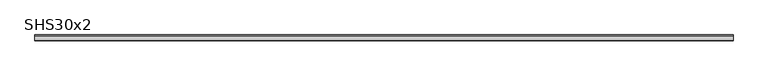
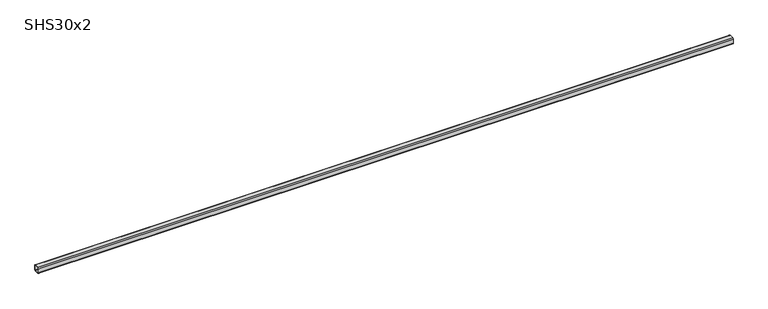
"""IFC4 building model written with IfcOpenShell, lengths in millimetres: beam geometry, SHS30x2."""

from ifc_helpers import new_model, si_unit, point, frame, frame_2d, origin, place, context, project, spatial, polyline, circle_curve, trimmed, segment, composite_curve, outline, extrude, source, transform, mapped, element, save


def shs30x2_28dc4a52(model_context):
    return source(origin(), model_context, "Body", "SweptSolid", [
        extrude(outline(composite_curve([segment(polyline([(15.0, 11.0), (15.0, -11.0)]), True, "CONTINUOUS"), segment(trimmed(circle_curve(frame_2d((11.0, -11.0)), 4.0), [point((15.0, -11.0))], [point((11.0, -15.0))], False, "CARTESIAN"), True, "CONTINUOUS"), segment(polyline([(11.0, -15.0), (-11.0, -15.0)]), True, "CONTINUOUS"), segment(trimmed(circle_curve(frame_2d((-11.0, -11.0)), 4.0), [point((-11.0, -15.0))], [point((-15.0, -11.0))], False, "CARTESIAN"), True, "CONTINUOUS"), segment(polyline([(-15.0, -11.0), (-15.0, 11.0)]), True, "CONTINUOUS"), segment(trimmed(circle_curve(frame_2d((-11.0, 11.0)), 4.0), [point((-15.0, 11.0))], [point((-11.0, 15.0))], False, "CARTESIAN"), True, "CONTINUOUS"), segment(polyline([(-11.0, 15.0), (11.0, 15.0)]), True, "CONTINUOUS"), segment(trimmed(circle_curve(frame_2d((11.0, 11.0)), 4.0), [point((11.0, 15.0))], [point((15.0, 11.0))], False, "CARTESIAN"), True, "CONTINUOUS")], self_intersect=False), holes=[composite_curve([segment(trimmed(circle_curve(frame_2d((-11.0, 11.0)), 2.0), [point((-11.0, 13.0))], [point((-13.0, 11.0))], True, "CARTESIAN"), True, "CONTINUOUS"), segment(polyline([(-13.0, 11.0), (-13.0, -11.0)]), True, "CONTINUOUS"), segment(trimmed(circle_curve(frame_2d((-11.0, -11.0)), 2.0), [point((-13.0, -11.0))], [point((-11.0, -13.0))], True, "CARTESIAN"), True, "CONTINUOUS"), segment(polyline([(-11.0, -13.0), (11.0, -13.0)]), True, "CONTINUOUS"), segment(trimmed(circle_curve(frame_2d((11.0, -11.0)), 2.0), [point((11.0, -13.0))], [point((13.0, -11.0))], True, "CARTESIAN"), True, "CONTINUOUS"), segment(polyline([(13.0, -11.0), (13.0, 11.0)]), True, "CONTINUOUS"), segment(trimmed(circle_curve(frame_2d((11.0, 11.0)), 2.0), [point((13.0, 11.0))], [point((11.0, 13.0))], True, "CARTESIAN"), True, "CONTINUOUS"), segment(polyline([(11.0, 13.0), (-11.0, 13.0)]), True, "CONTINUOUS")], self_intersect=False)]), frame((-1770.5, 0.0, 0.0), z_axis=(1.0, 0.0, 0.0), x_axis=(0.0, 1.0, 0.0)), (0.0, 0.0, 1.0), 3462.0),
    ])


if __name__ == "__main__":
    model = new_model("IFC4")
    model_context = context("Model", 3, world=origin())
    ifc_project = project(units=[si_unit("LENGTHUNIT", "METRE", prefix="MILLI")], contexts=[model_context])
    site = spatial("IfcSite", under=ifc_project)
    building = spatial("IfcBuilding", under=site)
    placement = place(None, origin())
    shs30x2_shape = shs30x2_28dc4a52(model_context)
    element("IfcBeam", 1, ObjectType="SHS30x2", at=placement, inside=building, context=model_context, shape_type="MappedRepresentation", body=[
        mapped(shs30x2_shape, transform((0.0, 0.0, 0.0), x_axis=(1.0, 0.0, 0.0), y_axis=(0.0, 1.0, 0.0), z_axis=(0.0, 0.0, 1.0))),
    ])
    save(model, "model.ifc")
